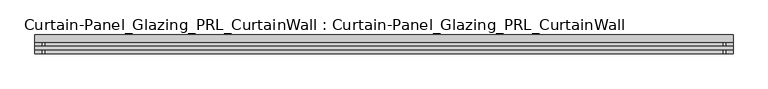
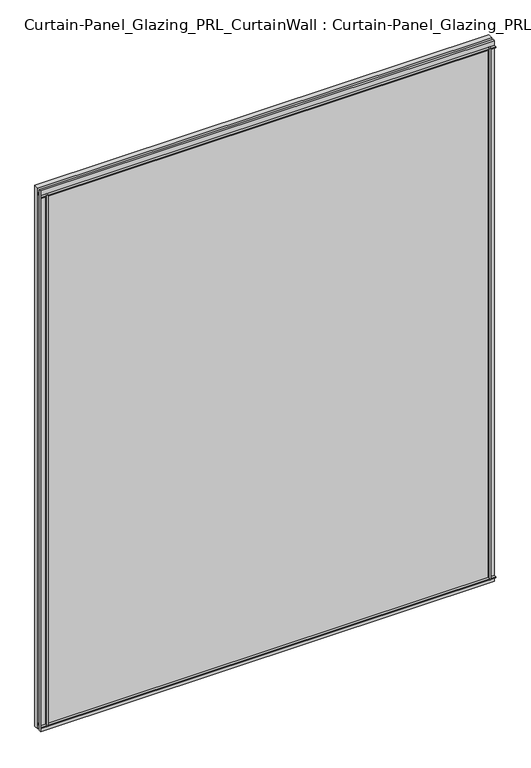
"""IFC4 building model written with IfcOpenShell, lengths in millimetres: plate geometry, Curtain-Panel_Glazing_PRL_CurtainWall : Curtain-Panel_Glazing_PRL_CurtainWall."""

from ifc_helpers import new_model, si_unit, frame, origin, origin_with_axes, place, context, project, spatial, polyline, outline, extrude, source, transform, mapped, element, save


def curtain_panel_glazing_prl_curtainwall_curtain_panel_glazing_4aa6fe32(model_context):
    return source(origin(), model_context, "Body", "SweptSolid", [
        extrude(outline(polyline([(1485.9, 590.55), (1485.9, -590.55), (0.0, -590.55), (0.0, 590.55), (1485.9, 590.55)]), holes=[polyline([(12.7, 577.85), (12.7, -577.85), (1473.2, -577.85), (1473.2, 577.85), (12.7, 577.85)])]), frame((0.0, 0.0, 0.0), z_axis=(0.0, 1.0, 0.0), x_axis=(0.0, 0.0, 1.0)), (0.0, 0.0, 1.0), 12.7),
        extrude(outline(polyline([(577.85, -19.05), (573.88125, -19.05), (573.88125, -12.7), (577.85, -12.7), (577.85, -19.05)])), frame((0.0, 0.0, 12.7), z_axis=(0.0, 0.0, 1.0), x_axis=(1.0, 0.0, 0.0)), (0.0, 0.0, 1.0), 1460.5),
        extrude(outline(polyline([(577.85, 0.0), (577.85, -6.35), (573.88125, -6.35), (573.88125, 0.0), (577.85, 0.0)])), frame((0.0, 0.0, 12.7), z_axis=(0.0, 0.0, 1.0), x_axis=(1.0, 0.0, 0.0)), (0.0, 0.0, 1.0), 1460.5),
        extrude(outline(polyline([(-577.85, -19.05), (-577.85, -12.7), (-573.88125, -12.7), (-573.88125, -19.05), (-577.85, -19.05)])), frame((0.0, 0.0, 12.7), z_axis=(0.0, 0.0, 1.0), x_axis=(1.0, 0.0, 0.0)), (0.0, 0.0, 1.0), 1460.5),
        extrude(outline(polyline([(-577.85, 0.0), (-573.88125, 0.0), (-573.88125, -6.35), (-577.85, -6.35), (-577.85, 0.0)])), frame((0.0, 0.0, 12.7), z_axis=(0.0, 0.0, 1.0), x_axis=(1.0, 0.0, 0.0)), (0.0, 0.0, 1.0), 1460.5),
        extrude(outline(polyline([(590.55, -6.35), (590.55, -12.7), (-590.55, -12.7), (-590.55, -6.35), (590.55, -6.35)])), origin_with_axes(), (0.0, 0.0, 1.0), 1485.9),
        extrude(outline(polyline([(-590.55, -19.05), (-590.55, -12.7), (590.55, -12.7), (590.55, -19.05), (-590.55, -19.05)])), frame((0.0, 0.0, 1469.23125), z_axis=(0.0, 0.0, 1.0), x_axis=(1.0, 0.0, 0.0)), (0.0, 0.0, 1.0), 3.96875),
        extrude(outline(polyline([(-590.55, 0.0), (590.55, 0.0), (590.55, -6.35), (-590.55, -6.35), (-590.55, 0.0)])), frame((0.0, 0.0, 1469.23125), z_axis=(0.0, 0.0, 1.0), x_axis=(1.0, 0.0, 0.0)), (0.0, 0.0, 1.0), 3.96875),
        extrude(outline(polyline([(-590.55, -19.05), (-590.55, -12.7), (590.55, -12.7), (590.55, -19.05), (-590.55, -19.05)])), frame((0.0, 0.0, 12.7), z_axis=(0.0, 0.0, 1.0), x_axis=(1.0, 0.0, 0.0)), (0.0, 0.0, 1.0), 3.96875),
        extrude(outline(polyline([(-590.55, 0.0), (590.55, 0.0), (590.55, -6.35), (-590.55, -6.35), (-590.55, 0.0)])), frame((0.0, 0.0, 12.7), z_axis=(0.0, 0.0, 1.0), x_axis=(1.0, 0.0, 0.0)), (0.0, 0.0, 1.0), 3.96875),
    ])


if __name__ == "__main__":
    model = new_model("IFC4")
    model_context = context("Model", 3, world=origin())
    ifc_project = project(units=[si_unit("LENGTHUNIT", "METRE", prefix="MILLI")], contexts=[model_context])
    site = spatial("IfcSite", under=ifc_project)
    building = spatial("IfcBuilding", under=site)
    placement = place(None, origin())
    curtain_panel_glazing_prl_curtainwall_curtain_panel_glazing_shape = curtain_panel_glazing_prl_curtainwall_curtain_panel_glazing_4aa6fe32(model_context)
    element("IfcPlate", 1, ObjectType="Curtain-Panel_Glazing_PRL_CurtainWall : Curtain-Panel_Glazing_PRL_CurtainWall", at=placement, inside=building, context=model_context, shape_type="MappedRepresentation", body=[
        mapped(curtain_panel_glazing_prl_curtainwall_curtain_panel_glazing_shape, transform((0.0, 0.0, 0.0), x_axis=(1.0, 0.0, 0.0), y_axis=(0.0, 1.0, 0.0), z_axis=(0.0, 0.0, 1.0))),
    ])
    save(model, "model.ifc")
